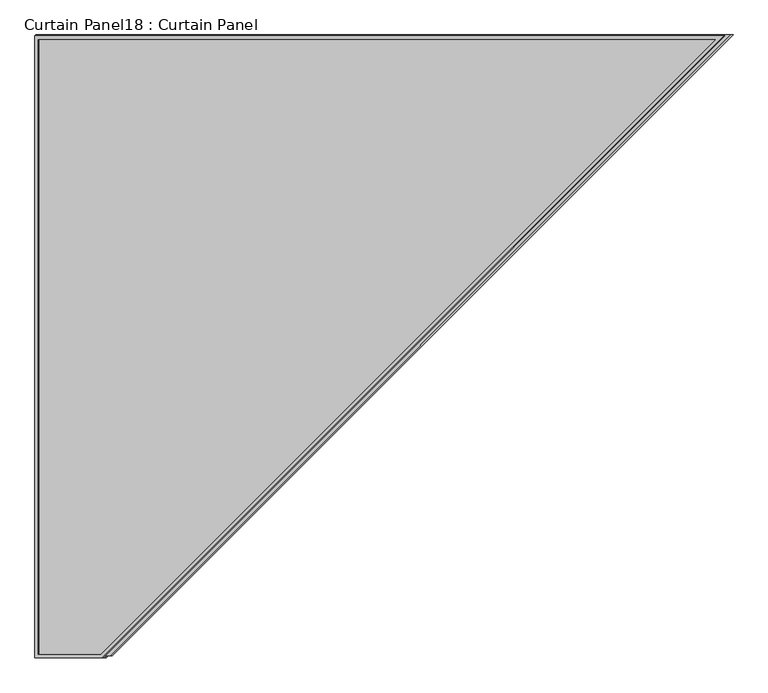
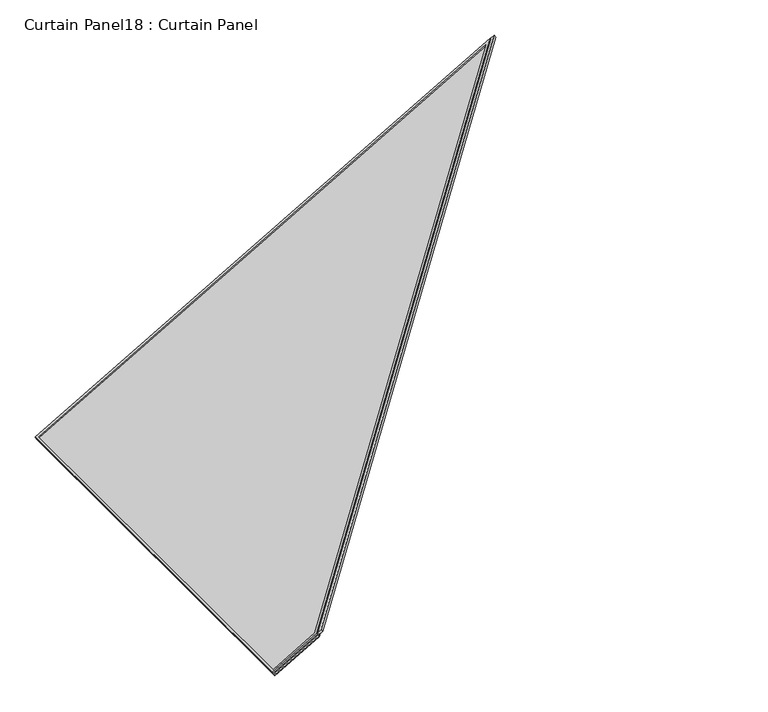
"""IFC4 building model written with IfcOpenShell, lengths in millimetres: plate geometry, Curtain Panel18 : Curtain Panel."""

import ifcopenshell
import ifcopenshell.guid

model = None  # the IFC model being written
_history = None  # IfcOwnerHistory: only IFC2X3 demands one
_inside = {}  # id of a spatial element -> (the spatial element, [elements in it])
_under = {}  # id of a project, library or spatial element -> (it, [spatial elements below it])
_declared = {}  # id of a project -> (the project, [libraries it declares])
_typed = {}  # id of a type object -> (the type object, [elements of that type])
_made_of = {}  # id of a material, layer set ... -> (it, [elements and type objects made of it])


def new_model(schema):
    """Start an empty IFC model of exactly this schema.

    Asked for "IFC4X3", IfcOpenShell would pick the latest addendum, in which some entities
    have other attributes; the version numbers below select the first issue.
    IFC2X3 requires an IfcOwnerHistory on every rooted entity: one is made here for all.
    """
    global model, _history
    if schema == "IFC4X3":
        model = ifcopenshell.file(schema_version=(4, 3, 0, 0))
    else:
        model = ifcopenshell.file(schema=schema)
    _inside.clear()
    _under.clear()
    _declared.clear()
    _typed.clear()
    _made_of.clear()
    _history = None
    if model.schema == "IFC2X3":
        org = make("IfcOrganization", Name="unknown")
        user = make(
            "IfcPersonAndOrganization",
            ThePerson=make("IfcPerson", FamilyName="unknown"),
            TheOrganization=org,
        )
        app = make(
            "IfcApplication",
            ApplicationDeveloper=org,
            Version="unknown",
            ApplicationFullName="unknown",
            ApplicationIdentifier="unknown",
        )
        _history = make(
            "IfcOwnerHistory",
            OwningUser=user,
            OwningApplication=app,
            ChangeAction="ADDED",
            CreationDate=0,
        )
    return model


def make(cls, **values):
    """One entity of the class cls with the attributes given. An attribute that is None is left unset."""
    return model.create_entity(
        cls, **{name: value for name, value in values.items() if value is not None}
    )


def rooted(cls, **values):
    """An entity with a GlobalId (a new one), such as an element, a storey or a relation."""
    return make(cls, GlobalId=ifcopenshell.guid.new(), OwnerHistory=_history, **values)


def si_unit(unit_type, name, prefix=None):
    """IfcSIUnit, for example si_unit("LENGTHUNIT", "METRE", prefix="MILLI")."""
    return make("IfcSIUnit", UnitType=unit_type, Prefix=prefix, Name=name)


def assignment(units):
    """IfcUnitAssignment: the units of a project."""
    return None if units is None else make("IfcUnitAssignment", Units=units)


def point(xyz):
    """IfcCartesianPoint."""
    return None if xyz is None else make("IfcCartesianPoint", Coordinates=xyz)


def direction(xyz):
    """IfcDirection."""
    return None if xyz is None else make("IfcDirection", DirectionRatios=xyz)


def frame(location, z_axis=None, x_axis=None):
    """IfcAxis2Placement3D, a coordinate frame: its origin and axes. An axis left out is left unset."""
    return make(
        "IfcAxis2Placement3D",
        Location=point(location),
        Axis=direction(z_axis),
        RefDirection=direction(x_axis),
    )


def origin():
    """The frame at (0, 0, 0) with its axes left unset."""
    return frame((0.0, 0.0, 0.0))


def place(relative_to, where):
    """IfcLocalPlacement: puts the frame where relative to a parent placement (None: the world)."""
    return make(
        "IfcLocalPlacement", PlacementRelTo=relative_to, RelativePlacement=where
    )


def context(
    kind, dimensions, precision=None, world=None, true_north=None, identifier=None
):
    """IfcGeometricRepresentationContext, for example the 3D "Model" context."""
    return make(
        "IfcGeometricRepresentationContext",
        ContextIdentifier=identifier,
        ContextType=kind,
        CoordinateSpaceDimension=dimensions,
        Precision=precision,
        WorldCoordinateSystem=world,
        TrueNorth=true_north,
    )


def project(units=None, contexts=None):
    """IfcProject with its units and contexts."""
    return rooted(
        "IfcProject",
        Name="project",
        RepresentationContexts=contexts,
        UnitsInContext=assignment(units),
    )


def spatial(cls, under=None, at=None, **own):
    """A site, building, storey or space (cls), placed at a placement, below another one or the project."""
    s = rooted(cls, ObjectPlacement=at, **own)
    if under is not None:
        _under.setdefault(under.id(), (under, []))[1].append(s)
    return s


def polyline(points):
    """IfcPolyline through the points."""
    return make("IfcPolyline", Points=[point(p) for p in points])


def outline(outer, holes=None, kind="AREA"):
    """IfcArbitraryClosedProfileDef: a profile drawn as a closed curve; with holes, ...WithVoids."""
    if holes is None:
        return make("IfcArbitraryClosedProfileDef", ProfileType=kind, OuterCurve=outer)
    return make(
        "IfcArbitraryProfileDefWithVoids",
        ProfileType=kind,
        OuterCurve=outer,
        InnerCurves=holes,
    )


def extrude(swept, where, along, depth):
    """IfcExtrudedAreaSolid: the profile swept, set in the frame where, extruded along a direction by depth."""
    return make(
        "IfcExtrudedAreaSolid",
        SweptArea=swept,
        Position=where,
        ExtrudedDirection=direction(along),
        Depth=depth,
    )


def shape(context_of_items, identifier, shape_type, items):
    """IfcShapeRepresentation: the items that make up one representation, for example the "Body"."""
    return make(
        "IfcShapeRepresentation",
        ContextOfItems=context_of_items,
        RepresentationIdentifier=identifier,
        RepresentationType=shape_type,
        Items=items,
    )


def source(mapping_origin, context_of_items, identifier, shape_type, items):
    """IfcRepresentationMap: a shape defined once, which mapped items show again and again."""
    return make(
        "IfcRepresentationMap",
        MappingOrigin=mapping_origin,
        MappedRepresentation=shape(context_of_items, identifier, shape_type, items),
    )


def transform(
    local_origin,
    x_axis=None,
    y_axis=None,
    z_axis=None,
    scale=None,
    scale2=None,
    scale3=None,
    uniform=True,
):
    """IfcCartesianTransformationOperator3D, or its non-uniform kind. x_axis, y_axis, z_axis: its Axis1, 2, 3."""
    if uniform:
        return make(
            "IfcCartesianTransformationOperator3D",
            Axis1=direction(x_axis),
            Axis2=direction(y_axis),
            LocalOrigin=point(local_origin),
            Scale=scale,
            Axis3=direction(z_axis),
        )
    return make(
        "IfcCartesianTransformationOperator3DnonUniform",
        Axis1=direction(x_axis),
        Axis2=direction(y_axis),
        LocalOrigin=point(local_origin),
        Scale=scale,
        Axis3=direction(z_axis),
        Scale2=scale2,
        Scale3=scale3,
    )


def mapped(mapping_source, mapping_target):
    """IfcMappedItem: shows the shape of a source again, moved by a transform."""
    return make(
        "IfcMappedItem", MappingSource=mapping_source, MappingTarget=mapping_target
    )


def made_of(thing, what):
    """Note that an element or type object is made of a material, layer set ...; save() writes the relation."""
    if what is not None:
        _made_of.setdefault(what.id(), (what, []))[1].append(thing)
    return thing


def element(
    cls,
    number,
    at=None,
    inside=None,
    cuts=None,
    type_object=None,
    material=None,
    context=None,
    identifier="Body",
    shape_type=None,
    held_by="IfcProductDefinitionShape",
    body=None,
    shapes=None,
    **own,
):
    """One element of the class cls, such as IfcWall. Its Tag is "e" and its number.

    at: its placement. inside: the storey or other place that contains it. cuts: it is an
    opening in that element (IfcRelVoidsElement). A single representation is given by context,
    identifier, shape_type and body (its items); several are given by shapes. held_by: the class
    of the entity that holds the representations. save() writes the other relations.
    """
    e = rooted(cls, Tag="e%d" % number, ObjectPlacement=at, **own)
    if body is not None:
        shapes = [shape(context, identifier, shape_type, body)]
    if shapes is not None:
        e.Representation = make(held_by, Representations=shapes)
    if inside is not None:
        _inside.setdefault(inside.id(), (inside, []))[1].append(e)
    if cuts is not None:
        rooted(
            "IfcRelVoidsElement", RelatingBuildingElement=cuts, RelatedOpeningElement=e
        )
    if type_object is not None:
        _typed.setdefault(type_object.id(), (type_object, []))[1].append(e)
    return made_of(e, material)


def aggregate(whole, parts):
    """IfcRelAggregates: a whole, such as a stair, and the parts it consists of."""
    return rooted("IfcRelAggregates", RelatingObject=whole, RelatedObjects=parts)


def save(model, path):
    """Write the relations noted so far, then the file.

    IfcRelAggregates (storeys below a building ...), IfcRelContainedInSpatialStructure (elements
    in a storey), IfcRelDefinesByType, IfcRelAssociatesMaterial and IfcRelDeclares: one each for
    every whole, place, type object, material and project.
    """
    for whole, parts in _under.values():
        aggregate(whole, parts)
    for where, things in _inside.values():
        rooted(
            "IfcRelContainedInSpatialStructure",
            RelatedElements=things,
            RelatingStructure=where,
        )
    for kind, things in _typed.values():
        rooted("IfcRelDefinesByType", RelatedObjects=things, RelatingType=kind)
    for what, things in _made_of.values():
        rooted("IfcRelAssociatesMaterial", RelatedObjects=things, RelatingMaterial=what)
    for by, libraries in _declared.values():
        rooted("IfcRelDeclares", RelatingContext=by, RelatedDefinitions=libraries)
    model.write(path)


def curtain_panel18_curtain_panel_647b54a8(model_context):
    return source(origin(), model_context, "Body", "SweptSolid", [
        extrude(outline(polyline([(2916.2811668, -147.1189322), (1739.2513711, -1506.235871), (0.0, 0.0), (2746.4028566, 0.0), (2916.2811668, -147.1189322)]), holes=[polyline([(2742.2551073, -11.1252), (29.8402982, -11.1252), (1738.1246634, -1490.5428572), (2900.588153, -148.2456398), (2742.2551073, -11.1252)])]), frame((13501.5557003, 12554.6638637, 2035.1217314), z_axis=(-0.49999999999999833, 0.0, 0.8660254037844397), x_axis=(-0.654653670707978, -0.6546536707079772, -0.3779644730092259)), (0.0, 0.0, 1.0), 4.8617188),
        extrude(outline(polyline([(2916.2811667, -147.1189321), (1739.251371, -1506.2358709), (0.0, 0.0), (2746.4028566, 0.0), (2916.2811667, -147.1189321)]), holes=[polyline([(2742.2551073, -11.1252), (29.8402981, -11.1252), (1738.1246634, -1490.5428572), (2900.588153, -148.2456398), (2742.2551073, -11.1252)])]), frame((13492.7470596, 12554.6638637, 2050.3787445), z_axis=(-0.4999999999999649, 0.0, 0.8660254037844588), x_axis=(-0.6546536707079784, -0.6546536707079769, -0.37796447300922575)), (0.0, 0.0, 1.0), 4.8617187),
        extrude(outline(polyline([(22.2058864, 0.0), (1816.1, 0.0), (1816.1, -2320.0337817), (22.2058864, -248.6232829), (22.2058864, 0.0)])), frame((11506.6161748, 10741.1279755, 888.8317522), z_axis=(-0.49999999999999867, 0.0, 0.8660254037844395), x_axis=(0.0, 1.0, 0.0)), (0.0, 0.0, 1.0), 12.8633313),
    ])


if __name__ == "__main__":
    model = new_model("IFC4")
    model_context = context("Model", 3, world=origin())
    ifc_project = project(units=[si_unit("LENGTHUNIT", "METRE", prefix="MILLI")], contexts=[model_context])
    site = spatial("IfcSite", under=ifc_project)
    building = spatial("IfcBuilding", under=site)
    placement = place(None, origin())
    curtain_panel18_curtain_panel_shape = curtain_panel18_curtain_panel_647b54a8(model_context)
    element("IfcPlate", 1, ObjectType="Curtain Panel18 : Curtain Panel", at=placement, inside=building, context=model_context, shape_type="MappedRepresentation", body=[
        mapped(curtain_panel18_curtain_panel_shape, transform((0.0, 0.0, 0.0), x_axis=(1.0, 0.0, 0.0), y_axis=(0.0, 1.0, 0.0), z_axis=(0.0, 0.0, 1.0))),
    ])
    save(model, "model.ifc")
